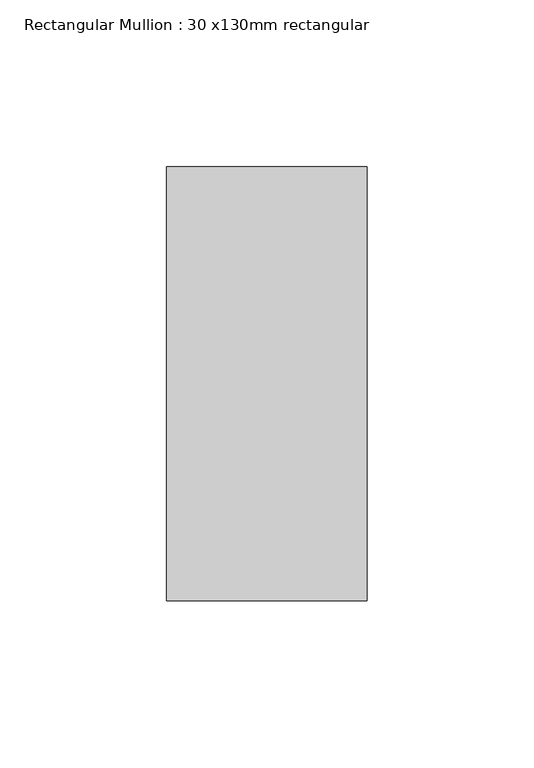
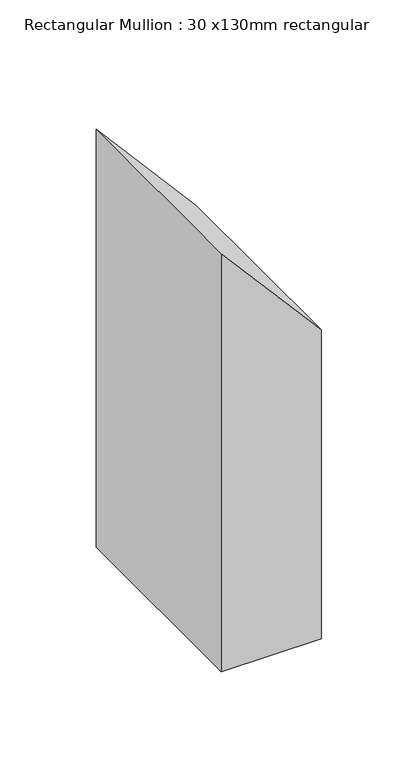
"""IFC4 building model written with IfcOpenShell, lengths in millimetres: member geometry, Rectangular Mullion : 30 x130mm rectangular."""

from ifc_helpers import new_model, si_unit, frame, origin, place, context, project, spatial, polyline, outline, extrude, source, transform, mapped, element, save


def rectangular_mullion_30_x130mm_rectangular_88980148(model_context):
    return source(origin(), model_context, "Body", "SweptSolid", [
        extrude(outline(polyline([(-126.2925301, 30.0), (-57.0104977, -30.0), (-322.0326728, -30.0), (-322.0326728, 30.0), (-126.2925301, 30.0)])), frame((0.0, -65.0, 0.0), z_axis=(0.0, 1.0, 0.0), x_axis=(0.0, 0.0, 1.0)), (0.0, 0.0, 1.0), 130.0),
    ])


if __name__ == "__main__":
    model = new_model("IFC4")
    model_context = context("Model", 3, world=origin())
    ifc_project = project(units=[si_unit("LENGTHUNIT", "METRE", prefix="MILLI")], contexts=[model_context])
    site = spatial("IfcSite", under=ifc_project)
    building = spatial("IfcBuilding", under=site)
    placement = place(None, origin())
    rectangular_mullion_30_x130mm_rectangular_shape = rectangular_mullion_30_x130mm_rectangular_88980148(model_context)
    element("IfcMember", 1, ObjectType="Rectangular Mullion : 30 x130mm rectangular", at=placement, inside=building, context=model_context, shape_type="MappedRepresentation", body=[
        mapped(rectangular_mullion_30_x130mm_rectangular_shape, transform((0.0, 0.0, 0.0), x_axis=(1.0, 0.0, 0.0), y_axis=(0.0, 1.0, 0.0), z_axis=(0.0, 0.0, 1.0))),
    ])
    save(model, "model.ifc")
